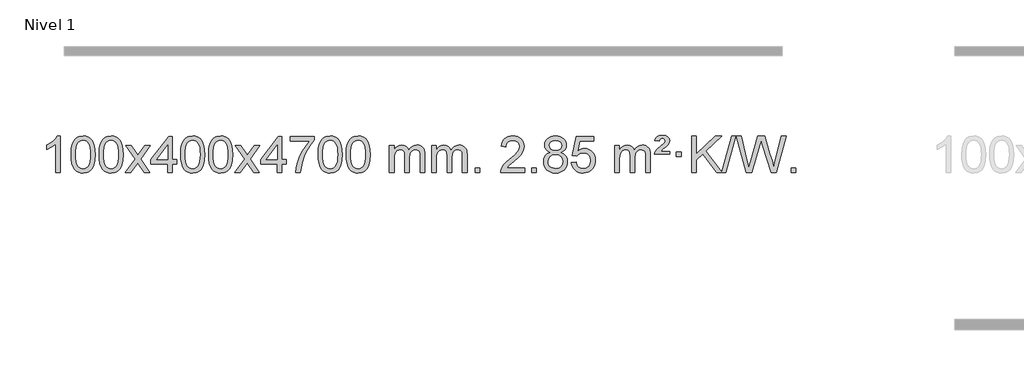
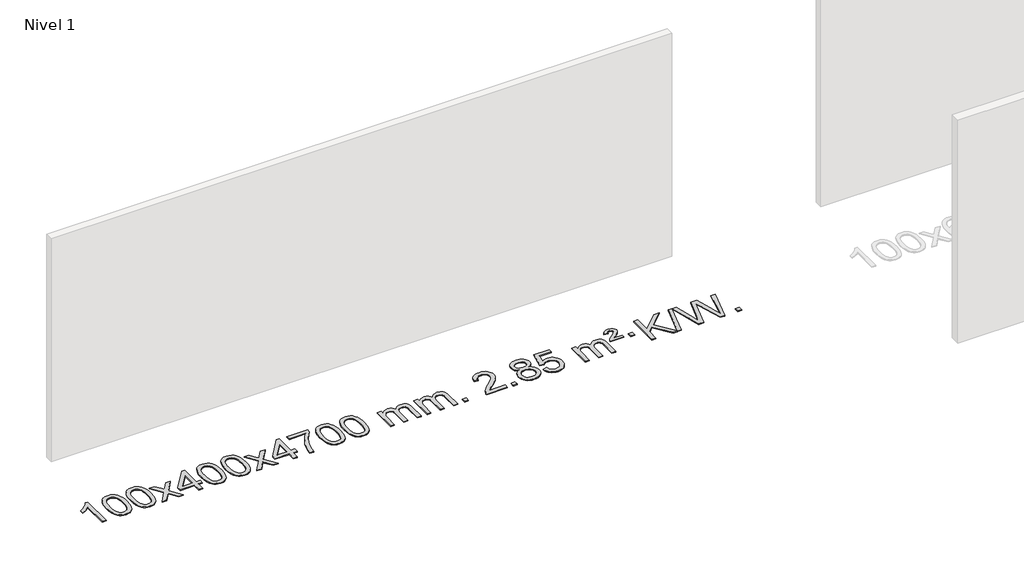
# One storey, part 2 of 12: 1 proxy.
"""IFC4 building model written with IfcOpenShell, lengths in millimetres."""

from ifc_helpers import new_model, si_unit, origin, origin_with_axes, place, context, project, spatial, polyline, outline, extrude, element, save

model = new_model("IFC4")

# Units and contexts
model_context = context("Model", 3, world=origin())
ifc_project = project(units=[si_unit("LENGTHUNIT", "METRE", prefix="MILLI")], contexts=[model_context])

# Site, building, storey
site = spatial("IfcSite", under=ifc_project)
building = spatial("IfcBuilding", under=site)
storey = spatial("IfcBuildingStorey", under=building, Name="Nivel 1", Elevation=0.0)

# Proxy
placement = place(None, origin())
element("IfcBuildingElementProxy", 1, Name="Texto de modelo 1", ObjectType="Texto de modelo 1", at=placement, inside=storey, context=model_context, shape_type="SweptSolid", body=[
    extrude(outline(polyline([(-11675.4615788, -9399.579453), (-11725.6897338, -9399.579453), (-11725.6897338, -9086.4382987), (-11746.6590076, -9103.3976587), (-11773.2691385, -9120.3324932), (-11826.146044, -9145.6918254), (-11826.146044, -9098.2105225), (-11786.6968314, -9076.7507395), (-11752.520594, -9051.219729), (-11725.5793692, -9024.0700378), (-11707.8351943, -8997.7542124), (-11675.4615788, -8997.7542124), (-11675.4615788, -9399.579453)])), origin_with_axes(), (0.0, 0.0, 1.0), 10.0),
    extrude(outline(polyline([(-11556.1697105, -9201.9041943), (-11552.4786278, -9137.5861588), (-11541.4053797, -9086.2911459), (-11523.0603309, -9047.2343407), (-11511.2022679, -9032.0009605), (-11497.5538459, -9019.6309284), (-11482.0690796, -9010.0598651), (-11464.7019837, -9003.2233914), (-11424.3208034, -8997.7542124), (-11393.3696649, -9000.991574), (-11365.6558879, -9010.7036586), (-11342.4793222, -9026.5103217), (-11325.1398175, -9048.0314184), (-11312.0432185, -9075.0830078), (-11301.5953698, -9107.4811488), (-11294.7527647, -9148.6226186), (-11292.4718963, -9201.9041943), (-11296.1261908, -9265.8543477), (-11307.0890743, -9317.0267333), (-11325.3237585, -9356.1203266), (-11337.1542303, -9371.3996922), (-11350.7934553, -9383.8341036), (-11366.2966157, -9393.4695462), (-11383.7188939, -9400.3520052), (-11424.3208034, -9405.8579724), (-11451.9855294, -9403.4667394), (-11476.5109958, -9396.2930405), (-11497.8972024, -9384.3368757), (-11516.1441494, -9367.5982449), (-11533.6553324, -9337.3399508), (-11546.1633202, -9299.6381776), (-11553.6681129, -9254.4929255), (-11556.1697105, -9201.9041943)]), holes=[polyline([(-11505.9415554, -9201.8060924), (-11504.4700274, -9245.4706195), (-11500.0554435, -9280.8148822), (-11492.6978036, -9307.8388804), (-11482.3971077, -9326.5426142), (-11469.9381708, -9339.2682656), (-11456.1058078, -9348.3580165), (-11440.9000186, -9353.8118671), (-11424.3208034, -9355.6298173), (-11407.7415881, -9353.8057357), (-11392.535799, -9348.3334911), (-11378.703436, -9339.2130833), (-11366.2444991, -9326.4445124), (-11355.9438032, -9307.7101217), (-11348.5861633, -9280.6922549), (-11344.1715794, -9245.3909118), (-11342.7000514, -9201.8060924), (-11344.1225284, -9159.2973278), (-11348.3899596, -9124.5753989), (-11355.5023448, -9097.6403055), (-11365.4596842, -9078.4920476), (-11377.7101546, -9065.1440625), (-11391.7019332, -9055.6097875), (-11407.4350198, -9049.8892225), (-11424.9094146, -9047.9823675), (-11441.4027907, -9049.6623619), (-11456.3510624, -9054.7023452), (-11469.7542298, -9063.1023175), (-11481.6122928, -9074.8622786), (-11492.2563452, -9095.708925), (-11499.8592397, -9123.8151094), (-11504.4209765, -9159.1808319), (-11505.9415554, -9201.8060924)])]), origin_with_axes(), (0.0, 0.0, 1.0), 10.0),
    extrude(outline(polyline([(-11248.5222606, -9201.9041943), (-11244.8311779, -9137.5861588), (-11233.7579299, -9086.2911459), (-11215.4128811, -9047.2343407), (-11203.5548181, -9032.0009605), (-11189.9063961, -9019.6309284), (-11174.4216298, -9010.0598651), (-11157.0545339, -9003.2233914), (-11116.6733536, -8997.7542124), (-11085.722215, -9000.991574), (-11058.0084381, -9010.7036586), (-11034.8318724, -9026.5103217), (-11017.4923677, -9048.0314184), (-11004.3957686, -9075.0830078), (-10993.94792, -9107.4811488), (-10987.1053149, -9148.6226186), (-10984.8244465, -9201.9041943), (-10988.478741, -9265.8543477), (-10999.4416244, -9317.0267333), (-11017.6763087, -9356.1203266), (-11029.5067805, -9371.3996922), (-11043.1460055, -9383.8341036), (-11058.6491659, -9393.4695462), (-11076.071444, -9400.3520052), (-11116.6733536, -9405.8579724), (-11144.3380796, -9403.4667394), (-11168.8635459, -9396.2930405), (-11190.2497526, -9384.3368757), (-11208.4966996, -9367.5982449), (-11226.0078825, -9337.3399508), (-11238.5158704, -9299.6381776), (-11246.0206631, -9254.4929255), (-11248.5222606, -9201.9041943)]), holes=[polyline([(-11198.2941056, -9201.8060924), (-11196.8225776, -9245.4706195), (-11192.4079936, -9280.8148822), (-11185.0503537, -9307.8388804), (-11174.7496579, -9326.5426142), (-11162.290721, -9339.2682656), (-11148.4583579, -9348.3580165), (-11133.2525688, -9353.8118671), (-11116.6733536, -9355.6298173), (-11100.0941383, -9353.8057357), (-11084.8883492, -9348.3334911), (-11071.0559862, -9339.2130833), (-11058.5970493, -9326.4445124), (-11048.2963534, -9307.7101217), (-11040.9387135, -9280.6922549), (-11036.5241295, -9245.3909118), (-11035.0526016, -9201.8060924), (-11036.4750786, -9159.2973278), (-11040.7425098, -9124.5753989), (-11047.854895, -9097.6403055), (-11057.8122343, -9078.4920476), (-11070.0627048, -9065.1440625), (-11084.0544833, -9055.6097875), (-11099.78757, -9049.8892225), (-11117.2619648, -9047.9823675), (-11133.7553409, -9049.6623619), (-11148.7036126, -9054.7023452), (-11162.10678, -9063.1023175), (-11173.9648429, -9074.8622786), (-11184.6088953, -9095.708925), (-11192.2117899, -9123.8151094), (-11196.7735266, -9159.1808319), (-11198.2941056, -9201.8060924)])]), origin_with_axes(), (0.0, 0.0, 1.0), 10.0),
    extrude(outline(polyline([(-10959.7103689, -9399.579453), (-10852.3869282, -9251.2494325), (-10953.4318496, -9104.4890419), (-10893.0011005, -9104.4890419), (-10844.2444734, -9175.122385), (-10821.4848406, -9208.4770192), (-10801.7663657, -9181.2047007), (-10746.2407099, -9104.4890419), (-10685.8099608, -9104.4890419), (-10791.9561791, -9251.2494325), (-10689.7340354, -9399.579453), (-10750.1647845, -9399.579453), (-10811.6746541, -9310.4048574), (-10822.9563686, -9294.1199477), (-10899.2796199, -9399.579453), (-10959.7103689, -9399.579453)])), origin_with_axes(), (0.0, 0.0, 1.0), 10.0),
    extrude(outline(polyline([(-10495.0999345, -9399.579453), (-10495.0999345, -9305.4016622), (-10677.1769967, -9305.4016622), (-10677.1769967, -9255.1735072), (-10482.5428957, -9004.0327318), (-10444.8717794, -9004.0327318), (-10444.8717794, -9255.1735072), (-10394.6436244, -9255.1735072), (-10394.6436244, -9305.4016622), (-10444.8717794, -9305.4016622), (-10444.8717794, -9399.579453), (-10495.0999345, -9399.579453)]), holes=[polyline([(-10495.0999345, -9255.1735072), (-10495.0999345, -9099.9763561), (-10615.3728215, -9255.1735072), (-10495.0999345, -9255.1735072)])]), origin_with_axes(), (0.0, 0.0, 1.0), 10.0),
    extrude(outline(polyline([(-10350.6939887, -9201.9041943), (-10347.002906, -9137.5861588), (-10335.9296579, -9086.2911459), (-10317.5846091, -9047.2343407), (-10305.7265461, -9032.0009605), (-10292.0781241, -9019.6309284), (-10276.5933578, -9010.0598651), (-10259.2262619, -9003.2233914), (-10218.8450816, -8997.7542124), (-10187.8939431, -9000.991574), (-10160.1801661, -9010.7036586), (-10137.0036004, -9026.5103217), (-10119.6640957, -9048.0314184), (-10106.5674967, -9075.0830078), (-10096.119648, -9107.4811488), (-10089.2770429, -9148.6226186), (-10086.9961745, -9201.9041943), (-10090.650469, -9265.8543477), (-10101.6133525, -9317.0267333), (-10119.8480367, -9356.1203266), (-10131.6785085, -9371.3996922), (-10145.3177335, -9383.8341036), (-10160.8208939, -9393.4695462), (-10178.2431721, -9400.3520052), (-10218.8450816, -9405.8579724), (-10246.5098076, -9403.4667394), (-10271.035274, -9396.2930405), (-10292.4214806, -9384.3368757), (-10310.6684276, -9367.5982449), (-10328.1796106, -9337.3399508), (-10340.6875984, -9299.6381776), (-10348.1923911, -9254.4929255), (-10350.6939887, -9201.9041943)]), holes=[polyline([(-10300.4658336, -9201.8060924), (-10298.9943056, -9245.4706195), (-10294.5797217, -9280.8148822), (-10287.2220818, -9307.8388804), (-10276.9213859, -9326.5426142), (-10264.462449, -9339.2682656), (-10250.630086, -9348.3580165), (-10235.4242968, -9353.8118671), (-10218.8450816, -9355.6298173), (-10202.2658663, -9353.8057357), (-10187.0600772, -9348.3334911), (-10173.2277142, -9339.2130833), (-10160.7687773, -9326.4445124), (-10150.4680814, -9307.7101217), (-10143.1104415, -9280.6922549), (-10138.6958576, -9245.3909118), (-10137.2243296, -9201.8060924), (-10138.6468066, -9159.2973278), (-10142.9142378, -9124.5753989), (-10150.026623, -9097.6403055), (-10159.9839624, -9078.4920476), (-10172.2344328, -9065.1440625), (-10186.2262114, -9055.6097875), (-10201.959298, -9049.8892225), (-10219.4336928, -9047.9823675), (-10235.9270689, -9049.6623619), (-10250.8753406, -9054.7023452), (-10264.278508, -9063.1023175), (-10276.136571, -9074.8622786), (-10286.7806234, -9095.708925), (-10294.3835179, -9123.8151094), (-10298.9452547, -9159.1808319), (-10300.4658336, -9201.8060924)])]), origin_with_axes(), (0.0, 0.0, 1.0), 10.0),
    extrude(outline(polyline([(-10043.0465388, -9201.9041943), (-10039.3554561, -9137.5861588), (-10028.2822081, -9086.2911459), (-10009.9371593, -9047.2343407), (-9998.0790963, -9032.0009605), (-9984.4306743, -9019.6309284), (-9968.945908, -9010.0598651), (-9951.5788121, -9003.2233914), (-9911.1976318, -8997.7542124), (-9880.2464932, -9000.991574), (-9852.5327163, -9010.7036586), (-9829.3561506, -9026.5103217), (-9812.0166459, -9048.0314184), (-9798.9200468, -9075.0830078), (-9788.4721982, -9107.4811488), (-9781.6295931, -9148.6226186), (-9779.3487247, -9201.9041943), (-9783.0030192, -9265.8543477), (-9793.9659026, -9317.0267333), (-9812.2005869, -9356.1203266), (-9824.0310587, -9371.3996922), (-9837.6702837, -9383.8341036), (-9853.1734441, -9393.4695462), (-9870.5957222, -9400.3520052), (-9911.1976318, -9405.8579724), (-9938.8623578, -9403.4667394), (-9963.3878241, -9396.2930405), (-9984.7740308, -9384.3368757), (-10003.0209778, -9367.5982449), (-10020.5321607, -9337.3399508), (-10033.0401486, -9299.6381776), (-10040.5449413, -9254.4929255), (-10043.0465388, -9201.9041943)]), holes=[polyline([(-9992.8183838, -9201.8060924), (-9991.3468558, -9245.4706195), (-9986.9322718, -9280.8148822), (-9979.5746319, -9307.8388804), (-9969.2739361, -9326.5426142), (-9956.8149992, -9339.2682656), (-9942.9826361, -9348.3580165), (-9927.776847, -9353.8118671), (-9911.1976318, -9355.6298173), (-9894.6184165, -9353.8057357), (-9879.4126274, -9348.3334911), (-9865.5802644, -9339.2130833), (-9853.1213275, -9326.4445124), (-9842.8206316, -9307.7101217), (-9835.4629917, -9280.6922549), (-9831.0484077, -9245.3909118), (-9829.5768798, -9201.8060924), (-9830.9993568, -9159.2973278), (-9835.266788, -9124.5753989), (-9842.3791732, -9097.6403055), (-9852.3365125, -9078.4920476), (-9864.586983, -9065.1440625), (-9878.5787615, -9055.6097875), (-9894.3118482, -9049.8892225), (-9911.786243, -9047.9823675), (-9928.2796191, -9049.6623619), (-9943.2278908, -9054.7023452), (-9956.6310582, -9063.1023175), (-9968.4891211, -9074.8622786), (-9979.1331735, -9095.708925), (-9986.7360681, -9123.8151094), (-9991.2978048, -9159.1808319), (-9992.8183838, -9201.8060924)])]), origin_with_axes(), (0.0, 0.0, 1.0), 10.0),
    extrude(outline(polyline([(-9754.2346472, -9399.579453), (-9646.9112064, -9251.2494325), (-9747.9561278, -9104.4890419), (-9687.5253787, -9104.4890419), (-9638.7687516, -9175.122385), (-9616.0091188, -9208.4770192), (-9596.2906439, -9181.2047007), (-9540.7649881, -9104.4890419), (-9480.334239, -9104.4890419), (-9586.4804574, -9251.2494325), (-9484.2583136, -9399.579453), (-9544.6890627, -9399.579453), (-9606.1989323, -9310.4048574), (-9617.4806468, -9294.1199477), (-9693.8038981, -9399.579453), (-9754.2346472, -9399.579453)])), origin_with_axes(), (0.0, 0.0, 1.0), 10.0),
    extrude(outline(polyline([(-9289.6242127, -9399.579453), (-9289.6242127, -9305.4016622), (-9471.7012749, -9305.4016622), (-9471.7012749, -9255.1735072), (-9277.0671739, -9004.0327318), (-9239.3960576, -9004.0327318), (-9239.3960576, -9255.1735072), (-9189.1679026, -9255.1735072), (-9189.1679026, -9305.4016622), (-9239.3960576, -9305.4016622), (-9239.3960576, -9399.579453), (-9289.6242127, -9399.579453)]), holes=[polyline([(-9289.6242127, -9255.1735072), (-9289.6242127, -9099.9763561), (-9409.8970997, -9255.1735072), (-9289.6242127, -9255.1735072)])]), origin_with_axes(), (0.0, 0.0, 1.0), 10.0),
    extrude(outline(polyline([(-9145.2182669, -9054.2608869), (-9145.2182669, -9004.0327318), (-8881.5204527, -9004.0327318), (-8881.5204527, -9044.646904), (-8919.1057299, -9092.214046), (-8956.3231251, -9152.7061088), (-8989.1504618, -9220.6048623), (-9013.5655635, -9290.3920768), (-9025.5339911, -9342.6067947), (-9032.204918, -9399.579453), (-9082.433073, -9399.579453), (-9077.0006822, -9347.8061935), (-9062.4693434, -9286.2717985), (-9039.2314641, -9221.0463207), (-9007.6794516, -9158.1998132), (-8970.8422012, -9101.3865704), (-8931.7486078, -9054.2608869), (-9145.2182669, -9054.2608869)])), origin_with_axes(), (0.0, 0.0, 1.0), 10.0),
    extrude(outline(polyline([(-8837.570817, -9201.9041943), (-8833.8797344, -9137.5861588), (-8822.8064863, -9086.2911459), (-8804.4614375, -9047.2343407), (-8792.6033745, -9032.0009605), (-8778.9549525, -9019.6309284), (-8763.4701862, -9010.0598651), (-8746.1030903, -9003.2233914), (-8705.72191, -8997.7542124), (-8674.7707714, -9000.991574), (-8647.0569945, -9010.7036586), (-8623.8804288, -9026.5103217), (-8606.5409241, -9048.0314184), (-8593.444325, -9075.0830078), (-8582.9964764, -9107.4811488), (-8576.1538713, -9148.6226186), (-8573.8730029, -9201.9041943), (-8577.5272974, -9265.8543477), (-8588.4901808, -9317.0267333), (-8606.7248651, -9356.1203266), (-8618.5553369, -9371.3996922), (-8632.1945619, -9383.8341036), (-8647.6977223, -9393.4695462), (-8665.1200004, -9400.3520052), (-8705.72191, -9405.8579724), (-8733.386636, -9403.4667394), (-8757.9121024, -9396.2930405), (-8779.298309, -9384.3368757), (-8797.545256, -9367.5982449), (-8815.0564389, -9337.3399508), (-8827.5644268, -9299.6381776), (-8835.0692195, -9254.4929255), (-8837.570817, -9201.9041943)]), holes=[polyline([(-8787.342662, -9201.8060924), (-8785.871134, -9245.4706195), (-8781.45655, -9280.8148822), (-8774.0989101, -9307.8388804), (-8763.7982143, -9326.5426142), (-8751.3392774, -9339.2682656), (-8737.5069144, -9348.3580165), (-8722.3011252, -9353.8118671), (-8705.72191, -9355.6298173), (-8689.1426947, -9353.8057357), (-8673.9369056, -9348.3334911), (-8660.1045426, -9339.2130833), (-8647.6456057, -9326.4445124), (-8637.3449098, -9307.7101217), (-8629.9872699, -9280.6922549), (-8625.572686, -9245.3909118), (-8624.101158, -9201.8060924), (-8625.523635, -9159.2973278), (-8629.7910662, -9124.5753989), (-8636.9034514, -9097.6403055), (-8646.8607907, -9078.4920476), (-8659.1112612, -9065.1440625), (-8673.1030397, -9055.6097875), (-8688.8361264, -9049.8892225), (-8706.3105212, -9047.9823675), (-8722.8038973, -9049.6623619), (-8737.752169, -9054.7023452), (-8751.1553364, -9063.1023175), (-8763.0133993, -9074.8622786), (-8773.6574517, -9095.708925), (-8781.2603463, -9123.8151094), (-8785.8220831, -9159.1808319), (-8787.342662, -9201.8060924)])]), origin_with_axes(), (0.0, 0.0, 1.0), 10.0),
    extrude(outline(polyline([(-8529.9233672, -9201.9041943), (-8526.2322845, -9137.5861588), (-8515.1590365, -9086.2911459), (-8496.8139876, -9047.2343407), (-8484.9559247, -9032.0009605), (-8471.3075026, -9019.6309284), (-8455.8227363, -9010.0598651), (-8438.4556405, -9003.2233914), (-8398.0744601, -8997.7542124), (-8367.1233216, -9000.991574), (-8339.4095446, -9010.7036586), (-8316.2329789, -9026.5103217), (-8298.8934742, -9048.0314184), (-8285.7968752, -9075.0830078), (-8275.3490265, -9107.4811488), (-8268.5064214, -9148.6226186), (-8266.2255531, -9201.9041943), (-8269.8798475, -9265.8543477), (-8280.842731, -9317.0267333), (-8299.0774152, -9356.1203266), (-8310.9078871, -9371.3996922), (-8324.547112, -9383.8341036), (-8340.0502724, -9393.4695462), (-8357.4725506, -9400.3520052), (-8398.0744601, -9405.8579724), (-8425.7391862, -9403.4667394), (-8450.2646525, -9396.2930405), (-8471.6508592, -9384.3368757), (-8489.8978061, -9367.5982449), (-8507.4089891, -9337.3399508), (-8519.9169769, -9299.6381776), (-8527.4217696, -9254.4929255), (-8529.9233672, -9201.9041943)]), holes=[polyline([(-8479.6952121, -9201.8060924), (-8478.2236842, -9245.4706195), (-8473.8091002, -9280.8148822), (-8466.4514603, -9307.8388804), (-8456.1507644, -9326.5426142), (-8443.6918275, -9339.2682656), (-8429.8594645, -9348.3580165), (-8414.6536754, -9353.8118671), (-8398.0744601, -9355.6298173), (-8381.4952449, -9353.8057357), (-8366.2894558, -9348.3334911), (-8352.4570927, -9339.2130833), (-8339.9981558, -9326.4445124), (-8329.69746, -9307.7101217), (-8322.3398201, -9280.6922549), (-8317.9252361, -9245.3909118), (-8316.4537081, -9201.8060924), (-8317.8761852, -9159.2973278), (-8322.1436163, -9124.5753989), (-8329.2560016, -9097.6403055), (-8339.2133409, -9078.4920476), (-8351.4638113, -9065.1440625), (-8365.4555899, -9055.6097875), (-8381.1886766, -9049.8892225), (-8398.6630713, -9047.9823675), (-8415.1564474, -9049.6623619), (-8430.1047192, -9054.7023452), (-8443.5078865, -9063.1023175), (-8455.3659495, -9074.8622786), (-8466.0100019, -9095.708925), (-8473.6128965, -9123.8151094), (-8478.1746332, -9159.1808319), (-8479.6952121, -9201.8060924)])]), origin_with_axes(), (0.0, 0.0, 1.0), 10.0),
    extrude(outline(polyline([(-8052.755894, -9399.579453), (-8052.755894, -9104.4890419), (-8002.5277389, -9104.4890419), (-8002.5277389, -9153.0494653), (-7987.4200517, -9130.7435537), (-7967.9958823, -9113.2691589), (-7944.9174185, -9101.9751816), (-7918.8468478, -9098.2105225), (-7890.9123416, -9102.048758), (-7868.5205908, -9113.5634645), (-7851.7942228, -9131.9943524), (-7840.8558648, -9156.5811324), (-7822.5476041, -9131.0439906), (-7801.6641696, -9112.803175), (-7778.205561, -9101.8586857), (-7752.1717785, -9098.2105225), (-7732.0639617, -9099.7280358), (-7714.414823, -9104.2805755), (-7699.2243623, -9111.8681416), (-7686.4925796, -9122.4907342), (-7676.4279413, -9136.2709806), (-7669.238914, -9153.3315082), (-7664.9254976, -9173.6723168), (-7663.4876922, -9197.2934066), (-7663.4876922, -9399.579453), (-7713.7158472, -9399.579453), (-7713.7158472, -9218.875817), (-7714.8808069, -9193.8230531), (-7718.3756858, -9176.9372695), (-7724.9239854, -9165.3735121), (-7735.2492067, -9156.2868268), (-7748.5297467, -9150.4007149), (-7763.9440023, -9148.4386776), (-7791.1550072, -9153.4663982), (-7813.3382915, -9168.54956), (-7821.9436645, -9180.1194488), (-7828.0903595, -9194.7182326), (-7833.0077155, -9233.0024856), (-7833.0077155, -9399.579453), (-7883.2358706, -9399.579453), (-7883.2358706, -9213.2840106), (-7886.1421384, -9184.8835206), (-7894.8609417, -9164.6254854), (-7910.2016209, -9152.4853796), (-7932.9735164, -9148.4386776), (-7952.3241093, -9151.1364789), (-7970.1541233, -9159.2298828), (-7984.8694032, -9172.5226856), (-7994.8757934, -9190.8186835), (-8000.6147525, -9216.2025411), (-8002.5277389, -9250.7589232), (-8002.5277389, -9399.579453), (-8052.755894, -9399.579453)])), origin_with_axes(), (0.0, 0.0, 1.0), 10.0),
    extrude(outline(polyline([(-7588.1454596, -9399.579453), (-7588.1454596, -9104.4890419), (-7537.9173045, -9104.4890419), (-7537.9173045, -9153.0494653), (-7522.8096172, -9130.7435537), (-7503.3854479, -9113.2691589), (-7480.306984, -9101.9751816), (-7454.2364133, -9098.2105225), (-7426.3019071, -9102.048758), (-7403.9101564, -9113.5634645), (-7387.1837883, -9131.9943524), (-7376.2454303, -9156.5811324), (-7357.9371697, -9131.0439906), (-7337.0537351, -9112.803175), (-7313.5951266, -9101.8586857), (-7287.561344, -9098.2105225), (-7267.4535273, -9099.7280358), (-7249.8043886, -9104.2805755), (-7234.6139279, -9111.8681416), (-7221.8821452, -9122.4907342), (-7211.8175069, -9136.2709806), (-7204.6284796, -9153.3315082), (-7200.3150632, -9173.6723168), (-7198.8772577, -9197.2934066), (-7198.8772577, -9399.579453), (-7249.1054128, -9399.579453), (-7249.1054128, -9218.875817), (-7250.2703724, -9193.8230531), (-7253.7652514, -9176.9372695), (-7260.3135509, -9165.3735121), (-7270.6387722, -9156.2868268), (-7283.9193123, -9150.4007149), (-7299.3335679, -9148.4386776), (-7326.5445728, -9153.4663982), (-7348.7278571, -9168.54956), (-7357.3332301, -9180.1194488), (-7363.4799251, -9194.7182326), (-7368.3972811, -9233.0024856), (-7368.3972811, -9399.579453), (-7418.6254362, -9399.579453), (-7418.6254362, -9213.2840106), (-7421.5317039, -9184.8835206), (-7430.2505072, -9164.6254854), (-7445.5911864, -9152.4853796), (-7468.3630819, -9148.4386776), (-7487.7136749, -9151.1364789), (-7505.5436889, -9159.2298828), (-7520.2589687, -9172.5226856), (-7530.265359, -9190.8186835), (-7536.0043181, -9216.2025411), (-7537.9173045, -9250.7589232), (-7537.9173045, -9399.579453), (-7588.1454596, -9399.579453)])), origin_with_axes(), (0.0, 0.0, 1.0), 10.0),
    extrude(outline(polyline([(-7110.9779863, -9399.579453), (-7110.9779863, -9349.3512979), (-7060.7498313, -9349.3512979), (-7060.7498313, -9399.579453), (-7110.9779863, -9399.579453)])), origin_with_axes(), (0.0, 0.0, 1.0), 10.0),
    extrude(outline(polyline([(-6564.7467999, -9349.3512979), (-6564.7467999, -9399.579453), (-6828.444614, -9399.579453), (-6827.3409681, -9381.8965918), (-6823.0490115, -9364.9494945), (-6810.6636509, -9337.8856424), (-6792.5393313, -9311.6311307), (-6766.3216078, -9284.1503456), (-6729.6560356, -9253.4076736), (-6675.454755, -9205.2641831), (-6642.9339866, -9169.7267824), (-6626.6736024, -9140.884834), (-6621.2534744, -9112.8277005), (-6626.3670341, -9087.6768347), (-6641.7077133, -9066.7688747), (-6665.2889492, -9052.6789943), (-6695.124179, -9047.9823675), (-6726.4554623, -9052.5686297), (-6750.7969876, -9066.3274163), (-6766.5055488, -9088.1796068), (-6771.9379396, -9117.0460807), (-6822.1660947, -9110.7675613), (-6817.8465469, -9084.838012), (-6809.9892006, -9062.1826125), (-6798.5940558, -9042.8013627), (-6783.6611125, -9026.6942627), (-6765.5337272, -9014.0329907), (-6744.5552564, -9004.989225), (-6720.7257002, -8999.5629655), (-6694.0450585, -8997.7542124), (-6667.1252935, -8999.7653006), (-6643.1669785, -9005.7985654), (-6622.1701137, -9015.8540066), (-6604.1346989, -9029.9316242), (-6589.6493453, -9046.9890861), (-6579.3026642, -9065.9840598), (-6573.0946555, -9086.9165453), (-6571.0253193, -9109.7865427), (-6573.2571367, -9133.8092369), (-6579.952589, -9157.4149983), (-6591.8351775, -9181.4254299), (-6609.6284033, -9206.6621347), (-6637.9921051, -9236.7916701), (-6681.5861216, -9275.4805933), (-6739.3681203, -9323.795762), (-6762.0296512, -9349.3512979), (-6564.7467999, -9349.3512979)])), origin_with_axes(), (0.0, 0.0, 1.0), 10.0),
    extrude(outline(polyline([(-6489.4045673, -9399.579453), (-6489.4045673, -9349.3512979), (-6439.1764122, -9349.3512979), (-6439.1764122, -9399.579453), (-6489.4045673, -9399.579453)])), origin_with_axes(), (0.0, 0.0, 1.0), 10.0),
    extrude(outline(polyline([(-6284.3716686, -9178.2616447), (-6311.2638425, -9165.0178929), (-6330.1361888, -9147.0652515), (-6341.2830133, -9124.7716026), (-6344.9986215, -9098.5048281), (-6342.9752705, -9078.0199324), (-6336.9052176, -9059.2395565), (-6326.7884627, -9042.1637006), (-6312.6250059, -9026.7923645), (-6295.0954288, -9014.088173), (-6274.8803132, -9005.0137504), (-6251.979659, -8999.5690969), (-6226.3934662, -8997.7542124), (-6200.6846461, -8999.6120165), (-6177.6123136, -9005.1854287), (-6157.1764688, -9014.4744491), (-6139.3771116, -9027.4790776), (-6124.9561374, -9043.1508506), (-6114.6554415, -9060.4413044), (-6108.475024, -9079.3504389), (-6106.4148848, -9099.8782543), (-6110.0814421, -9125.2989001), (-6121.0811137, -9147.2124043), (-6139.5365271, -9165.0546811), (-6165.5703097, -9178.2616447), (-6134.6559593, -9194.1909351), (-6112.153844, -9217.6495436), (-6098.4318456, -9247.5092989), (-6093.8578461, -9282.6420295), (-6096.1264517, -9307.6947933), (-6102.9322686, -9330.6628926), (-6114.2752968, -9351.5463272), (-6130.1555363, -9370.3450971), (-6149.7391211, -9385.88198), (-6172.1921856, -9396.9797536), (-6197.5147296, -9403.6384177), (-6225.7067531, -9405.8579724), (-6253.8987767, -9403.6292206), (-6279.2213207, -9396.9429654), (-6301.6743852, -9385.7992066), (-6321.25797, -9370.1979443), (-6337.1382095, -9351.26735), (-6348.4812377, -9330.135595), (-6355.2870546, -9306.8026795), (-6357.5556602, -9281.2686033), (-6352.7977197, -9244.7747094), (-6338.5238983, -9214.7555386), (-6315.46996, -9192.2411605), (-6284.3716686, -9178.2616447)]), holes=[polyline([(-6294.7704664, -9099.9763561), (-6290.3190942, -9121.902123), (-6276.9649778, -9139.413306), (-6255.1005246, -9150.8912243), (-6225.118142, -9154.717197), (-6195.8347351, -9150.9157497), (-6174.3013757, -9139.5114079), (-6161.0576239, -9122.5888361), (-6156.6430399, -9102.232699), (-6161.2047767, -9081.1040098), (-6174.8899869, -9063.629615), (-6196.7176519, -9051.8941794), (-6225.7067531, -9047.9823675), (-6254.8797954, -9051.8083402), (-6276.6706722, -9063.2862585), (-6290.2455178, -9080.1107284), (-6294.7704664, -9099.9763561)]), polyline([(-6307.3275051, -9279.5027698), (-6305.2305778, -9298.7184726), (-6298.9397957, -9317.3210389), (-6287.3269873, -9333.5446349), (-6269.2639814, -9345.623427), (-6247.6325201, -9353.1282197), (-6225.3143457, -9355.6298173), (-6191.1258456, -9350.3691048), (-6177.2321689, -9343.7932141), (-6165.4722078, -9334.5869672), (-6149.4325528, -9310.6869002), (-6144.0860012, -9281.0723996), (-6149.6042311, -9250.9551269), (-6166.1589209, -9226.5277625), (-6178.237713, -9217.0854579), (-6192.4011699, -9210.3409547), (-6226.9820774, -9204.9453521), (-6260.6923309, -9210.2673783), (-6274.4296577, -9216.919911), (-6286.0884513, -9226.2334569), (-6302.0177417, -9250.1948375), (-6307.3275051, -9279.5027698)])]), origin_with_axes(), (0.0, 0.0, 1.0), 10.0),
    extrude(outline(polyline([(-6049.9082104, -9292.8446235), (-5999.6800553, -9286.5661041), (-5990.45848, -9316.7201649), (-5974.369774, -9338.3148381), (-5951.4875139, -9351.3010725), (-5921.8852761, -9355.6298173), (-5902.7554123, -9354.1245668), (-5885.8818915, -9349.6088153), (-5871.2647135, -9342.0825628), (-5858.9038785, -9331.5458094), (-5849.0752979, -9318.519721), (-5842.0548831, -9303.5254641), (-5836.4385513, -9267.6324441), (-5841.6992639, -9233.8363514), (-5848.2751545, -9219.9181493), (-5857.4814014, -9207.9865099), (-5869.3486615, -9198.4154467), (-5883.9075914, -9191.5789729), (-5921.1004611, -9186.1097939), (-5945.466512, -9188.2925604), (-5965.1972496, -9194.8408599), (-5980.9548618, -9204.8717757), (-5993.4015359, -9217.5023908), (-6043.629691, -9211.2238715), (-5999.6800553, -9004.0327318), (-5805.0459544, -9004.0327318), (-5805.0459544, -9054.2608869), (-5959.065883, -9054.2608869), (-5980.5501916, -9164.919791), (-5962.8244108, -9152.2155994), (-5944.6694343, -9143.1411769), (-5926.0852622, -9137.6965234), (-5907.0718944, -9135.8816388), (-5882.6108074, -9138.1318504), (-5860.1424145, -9144.882485), (-5839.6667158, -9156.1335427), (-5821.1837113, -9171.8850234), (-5805.8828859, -9191.1743027), (-5794.953725, -9213.038756), (-5788.3962284, -9237.4783832), (-5786.2103962, -9264.4931844), (-5788.1785649, -9290.5147042), (-5794.0830709, -9314.7213394), (-5803.9239143, -9337.1130902), (-5817.701095, -9357.6899565), (-5838.5722669, -9378.7634634), (-5862.926055, -9393.8159684), (-5890.7624593, -9402.8474714), (-5922.0814798, -9405.8579724), (-5948.001832, -9403.9235262), (-5971.4144553, -9398.1201877), (-5992.3193497, -9388.447957), (-6010.7165152, -9374.9068338), (-6026.0234719, -9358.1712688), (-6037.6577399, -9338.915712), (-6045.6193195, -9317.1401636), (-6049.9082104, -9292.8446235)])), origin_with_axes(), (0.0, 0.0, 1.0), 10.0),
    extrude(outline(polyline([(-5572.7407372, -9399.579453), (-5572.7407372, -9104.4890419), (-5522.5125821, -9104.4890419), (-5522.5125821, -9153.0494653), (-5507.4048948, -9130.7435537), (-5487.9807255, -9113.2691589), (-5464.9022617, -9101.9751816), (-5438.8316909, -9098.2105225), (-5410.8971848, -9102.048758), (-5388.505434, -9113.5634645), (-5371.7790659, -9131.9943524), (-5360.840708, -9156.5811324), (-5342.5324473, -9131.0439906), (-5321.6490127, -9112.803175), (-5298.1904042, -9101.8586857), (-5272.1566217, -9098.2105225), (-5252.0488049, -9099.7280358), (-5234.3996662, -9104.2805755), (-5219.2092055, -9111.8681416), (-5206.4774228, -9122.4907342), (-5196.4127845, -9136.2709806), (-5189.2237572, -9153.3315082), (-5184.9103408, -9173.6723168), (-5183.4725353, -9197.2934066), (-5183.4725353, -9399.579453), (-5233.7006904, -9399.579453), (-5233.7006904, -9218.875817), (-5234.8656501, -9193.8230531), (-5238.360529, -9176.9372695), (-5244.9088285, -9165.3735121), (-5255.2340499, -9156.2868268), (-5268.5145899, -9150.4007149), (-5283.9288455, -9148.4386776), (-5311.1398504, -9153.4663982), (-5333.3231347, -9168.54956), (-5341.9285077, -9180.1194488), (-5348.0752027, -9194.7182326), (-5352.9925587, -9233.0024856), (-5352.9925587, -9399.579453), (-5403.2207138, -9399.579453), (-5403.2207138, -9213.2840106), (-5406.1269816, -9184.8835206), (-5414.8457848, -9164.6254854), (-5430.186464, -9152.4853796), (-5452.9583595, -9148.4386776), (-5472.3089525, -9151.1364789), (-5490.1389665, -9159.2298828), (-5504.8542463, -9172.5226856), (-5514.8606366, -9190.8186835), (-5520.5995957, -9216.2025411), (-5522.5125821, -9250.7589232), (-5522.5125821, -9399.579453), (-5572.7407372, -9399.579453)])), origin_with_axes(), (0.0, 0.0, 1.0), 10.0),
    extrude(outline(polyline([(-5139.5228997, -9198.6668327), (-5135.6969269, -9182.8479069), (-5127.3582683, -9166.9799302), (-5105.8494344, -9141.8413272), (-5073.8927517, -9114.1030247), (-5029.7469123, -9076.726214), (-5022.6100016, -9065.1992448), (-5020.2310314, -9053.3779701), (-5022.1194923, -9041.2869152), (-5027.784875, -9031.5012541), (-5037.1536031, -9025.026531), (-5050.1521003, -9022.8682899), (-5062.5865117, -9024.4869707), (-5071.4402051, -9029.343013), (-5077.8658773, -9038.8098431), (-5083.0162252, -9054.2608869), (-5133.2443803, -9047.9823675), (-5122.4041241, -9022.7701881), (-5105.775858, -9005.2099542), (-5082.0106811, -8994.9092583), (-5049.7596928, -8991.475693), (-5013.9770374, -8995.6082341), (-4989.2308419, -9008.0058573), (-4974.8098677, -9026.3386434), (-4970.0028763, -9048.2766731), (-4974.0986292, -9071.1834586), (-4986.3858878, -9092.8149199), (-5006.9137031, -9112.6314968), (-5043.3830716, -9140.6886303), (-5068.9876584, -9167.2742358), (-4970.0028763, -9167.2742358), (-4970.0028763, -9198.6668327), (-5139.5228997, -9198.6668327)])), origin_with_axes(), (0.0, 0.0, 1.0), 10.0),
    extrude(outline(polyline([(-4894.6606437, -9223.7809102), (-4894.6606437, -9173.5527552), (-4844.4324886, -9173.5527552), (-4844.4324886, -9223.7809102), (-4894.6606437, -9223.7809102)])), origin_with_axes(), (0.0, 0.0, 1.0), 10.0),
    extrude(outline(polyline([(-4453.7908606, -9399.579453), (-4607.2221781, -9196.9009991), (-4674.9124652, -9261.4520265), (-4674.9124652, -9399.579453), (-4725.1406203, -9399.579453), (-4725.1406203, -8997.7542124), (-4674.9124652, -8997.7542124), (-4674.9124652, -9194.4484525), (-4468.8985479, -8997.7542124), (-4398.6576123, -8997.7542124), (-4571.611201, -9162.9577537), (-4396.9575911, -9393.5349332), (-4285.6442634, -8997.7542124), (-4240.3212016, -8997.7542124), (-4353.3345505, -9399.579453), (-4392.3790929, -9399.579453), (-4398.6576123, -9399.579453), (-4453.7908606, -9399.579453)])), origin_with_axes(), (0.0, 0.0, 1.0), 10.0),
    extrude(outline(polyline([(-4125.8363247, -9399.579453), (-4235.4161083, -8997.7542124), (-4183.6183234, -8997.7542124), (-4120.0483146, -9261.844434), (-4100.4279415, -9343.3670841), (-4079.4341424, -9271.2622131), (-3999.7754277, -8997.7542124), (-3925.1199081, -8997.7542124), (-3867.2398075, -9196.0180823), (-3842.4445611, -9269.5944814), (-3824.1730886, -9343.3670841), (-3805.1413268, -9264.1988788), (-3740.9827068, -8997.7542124), (-3689.1849219, -8997.7542124), (-3798.8628074, -9399.579453), (-3852.5245277, -9399.579453), (-3948.8605595, -9089.5775584), (-3962.3005151, -9046.3146358), (-3977.4082024, -9098.4067263), (-4065.2093719, -9399.579453), (-4125.8363247, -9399.579453)])), origin_with_axes(), (0.0, 0.0, 1.0), 10.0),
    extrude(outline(polyline([(-3632.6782474, -9399.579453), (-3632.6782474, -9349.3512979), (-3582.4500923, -9349.3512979), (-3582.4500923, -9399.579453), (-3632.6782474, -9399.579453)])), origin_with_axes(), (0.0, 0.0, 1.0), 10.0),
])

save(model, "model.ifc")
